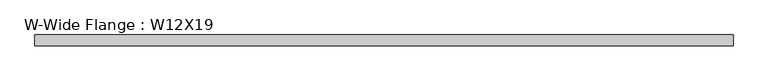
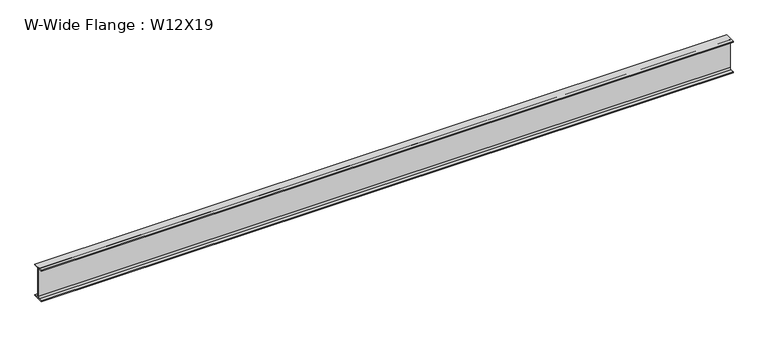
"""IFC4 building model written with IfcOpenShell, lengths in millimetres: beam geometry, W-Wide Flange : W12X19."""

from ifc_helpers import new_model, si_unit, point, frame, frame_2d, origin, place, context, project, spatial, polyline, circle_curve, trimmed, segment, composite_curve, outline, extrude, source, transform, mapped, element, save


def w_wide_flange_w12x19_efb1bda3(model_context):
    return source(origin(), model_context, "Body", "SweptSolid", [
        extrude(outline(composite_curve([segment(polyline([(50.9488281, -146.0003906), (50.9488281, -154.9300781), (-50.9488281, -154.9300781), (-50.9488281, -146.0003906), (-16.271875, -146.0003906)]), True, "CONTINUOUS"), segment(trimmed(circle_curve(frame_2d((-16.271875, -132.7050781)), 13.2953125), [point((-16.271875, -146.0003906))], [point((-2.9765625, -132.7050781))], True, "CARTESIAN"), True, "CONTINUOUS"), segment(polyline([(-2.9765625, -132.7050781), (-2.9765625, 132.7050781)]), True, "CONTINUOUS"), segment(trimmed(circle_curve(frame_2d((-16.271875, 132.7050781)), 13.2953125), [point((-2.9765625, 132.7050781))], [point((-16.271875, 146.0003906))], True, "CARTESIAN"), True, "CONTINUOUS"), segment(polyline([(-16.271875, 146.0003906), (-50.9488281, 146.0003906), (-50.9488281, 154.9300781), (50.9488281, 154.9300781), (50.9488281, 146.0003906), (16.271875, 146.0003906)]), True, "CONTINUOUS"), segment(trimmed(circle_curve(frame_2d((16.271875, 132.7050781)), 13.2953125), [point((16.271875, 146.0003906))], [point((2.9765625, 132.7050781))], True, "CARTESIAN"), True, "CONTINUOUS"), segment(polyline([(2.9765625, 132.7050781), (2.9765625, -132.7050781)]), True, "CONTINUOUS"), segment(trimmed(circle_curve(frame_2d((16.271875, -132.7050781)), 13.2953125), [point((2.9765625, -132.7050781))], [point((16.271875, -146.0003906))], True, "CARTESIAN"), True, "CONTINUOUS"), segment(polyline([(16.271875, -146.0003906), (50.9488281, -146.0003906)]), True, "CONTINUOUS")], self_intersect=False)), frame((-3209.6769531, 0.0, 0.0), z_axis=(1.0, 0.0, 0.0), x_axis=(0.0, 1.0, 0.0)), (0.0, 0.0, 1.0), 6460.8769531),
    ])


if __name__ == "__main__":
    model = new_model("IFC4")
    model_context = context("Model", 3, world=origin())
    ifc_project = project(units=[si_unit("LENGTHUNIT", "METRE", prefix="MILLI")], contexts=[model_context])
    site = spatial("IfcSite", under=ifc_project)
    building = spatial("IfcBuilding", under=site)
    placement = place(None, origin())
    w_wide_flange_w12x19_shape = w_wide_flange_w12x19_efb1bda3(model_context)
    element("IfcBeam", 1, ObjectType="W-Wide Flange : W12X19", at=placement, inside=building, context=model_context, shape_type="MappedRepresentation", body=[
        mapped(w_wide_flange_w12x19_shape, transform((0.0, 0.0, 0.0), x_axis=(1.0, 0.0, 0.0), y_axis=(0.0, 1.0, 0.0), z_axis=(0.0, 0.0, 1.0))),
    ])
    save(model, "model.ifc")
